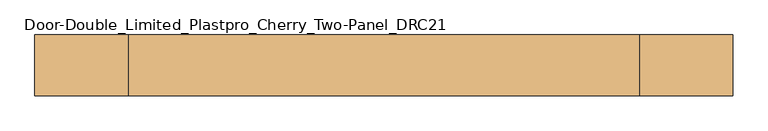
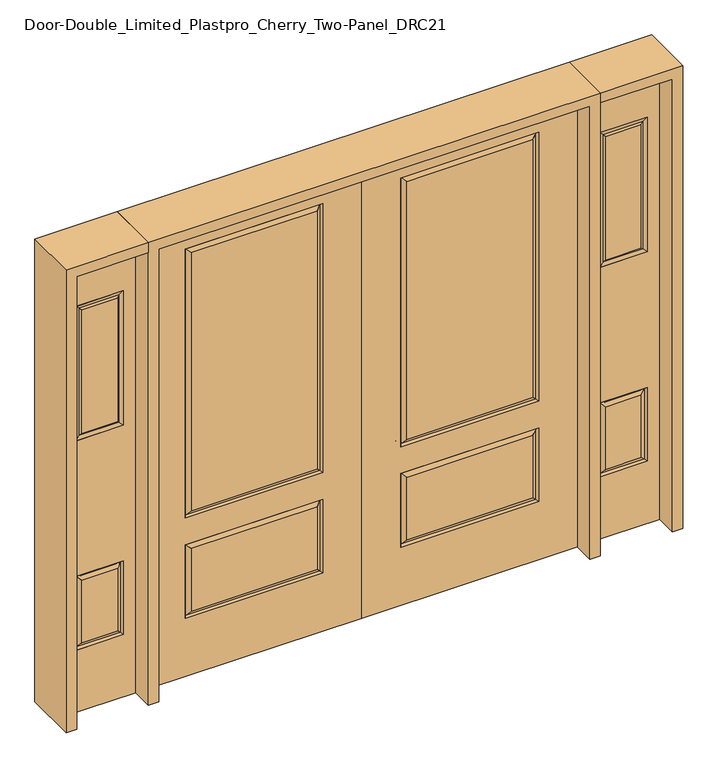
"""IFC4 building model written with IfcOpenShell, lengths in millimetres: door geometry, Door-Double_Limited_Plastpro_Cherry_Two-Panel_DRC21."""

from ifc_helpers import new_model, si_unit, frame, origin, place, context, project, spatial, polyline, outline, extrude, faceted_brep, source, transform, mapped, element, save


def door_double_limited_plastpro_cherry_two_panel_drc21_5cf84149(model_context):
    return source(origin(), model_context, "Body", "SolidModel", [
        faceted_brep([(0.0, 22.225, 0.0), (914.4, 22.225, 0.0), (914.4, -22.225, 0.0), (0.0, -22.225, 0.0), (0.0, 22.225, 2032.0), (0.0, -22.225, 2032.0), (914.4, -22.225, 2032.0), (165.1, -22.225, 711.2), (165.1, -22.225, 1917.7), (749.3, -22.225, 1917.7), (749.3, -22.225, 711.2), (165.1, -22.225, 260.35), (165.1, -22.225, 590.55), (749.3, -22.225, 590.55), (749.3, -22.225, 260.35), (724.69375, -22.225, 284.95625), (724.69375, -22.225, 565.94375), (189.70625, -22.225, 565.94375), (189.70625, -22.225, 284.95625), (724.69375, -22.225, 735.80625), (724.69375, -22.225, 1893.09375), (189.70625, -22.225, 1893.09375), (189.70625, -22.225, 735.80625), (914.4, 22.225, 2032.0), (749.3, 22.225, 711.2), (749.3, 22.225, 1917.7), (165.1, 22.225, 1917.7), (165.1, 22.225, 711.2), (749.3, 22.225, 260.35), (749.3, 22.225, 590.55), (165.1, 22.225, 590.55), (165.1, 22.225, 260.35), (189.70625, 22.225, 284.95625), (189.70625, 22.225, 565.94375), (724.69375, 22.225, 565.94375), (724.69375, 22.225, 284.95625), (189.70625, 22.225, 735.80625), (189.70625, 22.225, 1893.09375), (724.69375, 22.225, 1893.09375), (724.69375, 22.225, 735.80625), (172.2088501, 12.7912373, 267.4588501), (742.1911499, 12.7912373, 267.4588501), (172.2088501, 12.7912373, 583.4411499), (742.1911499, 12.7912373, 583.4411499), (172.2088501, 12.7912373, 718.3088501), (742.1911499, 12.7912373, 718.3088501), (172.2088501, 12.7912373, 1910.5911499), (742.1911499, 12.7912373, 1910.5911499), (172.2088501, -12.7912373, 267.4588501), (742.1911499, -12.7912373, 267.4588501), (742.1911499, -12.7912373, 583.4411499), (172.2088501, -12.7912373, 583.4411499), (172.2088501, -12.7912373, 718.3088501), (742.1911499, -12.7912373, 718.3088501), (742.1911499, -12.7912373, 1910.5911499), (172.2088501, -12.7912373, 1910.5911499)], [[[0, 1, 2, 3]], [[4, 0, 3, 5]], [[5, 3, 2, 6], [7, 8, 9, 10], [11, 12, 13, 14]], [[15, 16, 17, 18]], [[19, 20, 21, 22]], [[6, 2, 1, 23]], [[23, 1, 0, 4], [24, 25, 26, 27], [28, 29, 30, 31]], [[32, 33, 34, 35]], [[36, 37, 38, 39]], [[28, 31, 40, 41]], [[31, 30, 42, 40]], [[43, 42, 30, 29]], [[41, 43, 29, 28]], [[40, 32, 35, 41]], [[35, 34, 43, 41]], [[34, 33, 42, 43]], [[40, 42, 33, 32]], [[24, 27, 44, 45]], [[27, 26, 46, 44]], [[45, 47, 25, 24]], [[44, 36, 39, 45]], [[39, 38, 47, 45]], [[44, 46, 37, 36]], [[48, 11, 14, 49]], [[14, 13, 50, 49]], [[13, 12, 51, 50]], [[48, 51, 12, 11]], [[49, 15, 18, 48]], [[18, 17, 51, 48]], [[50, 51, 17, 16]], [[49, 50, 16, 15]], [[52, 7, 10, 53]], [[10, 9, 54, 53]], [[52, 55, 8, 7]], [[53, 19, 22, 52]], [[22, 21, 55, 52]], [[53, 54, 20, 19]], [[4, 5, 6, 23]], [[9, 8, 55, 54]], [[54, 55, 21, 20]], [[47, 46, 26, 25]], [[38, 37, 46, 47]]]),
        faceted_brep([(0.0, 22.225, 0.0), (0.0, -22.225, 0.0), (-914.4, -22.225, 0.0), (-914.4, 22.225, 0.0), (0.0, 22.225, 2032.0), (0.0, -22.225, 2032.0), (-724.69375, -22.225, 284.95625), (-189.70625, -22.225, 284.95625), (-189.70625, -22.225, 565.94375), (-724.69375, -22.225, 565.94375), (-724.69375, -22.225, 735.80625), (-189.70625, -22.225, 735.80625), (-189.70625, -22.225, 1893.09375), (-724.69375, -22.225, 1893.09375), (-914.4, -22.225, 2032.0), (-165.1, -22.225, 711.2), (-749.3, -22.225, 711.2), (-749.3, -22.225, 1917.7), (-165.1, -22.225, 1917.7), (-165.1, -22.225, 260.35), (-749.3, -22.225, 260.35), (-749.3, -22.225, 590.55), (-165.1, -22.225, 590.55), (-914.4, 22.225, 2032.0), (-189.70625, 22.225, 284.95625), (-724.69375, 22.225, 284.95625), (-724.69375, 22.225, 565.94375), (-189.70625, 22.225, 565.94375), (-189.70625, 22.225, 735.80625), (-724.69375, 22.225, 735.80625), (-724.69375, 22.225, 1893.09375), (-189.70625, 22.225, 1893.09375), (-749.3, 22.225, 711.2), (-165.1, 22.225, 711.2), (-165.1, 22.225, 1917.7), (-749.3, 22.225, 1917.7), (-749.3, 22.225, 260.35), (-165.1, 22.225, 260.35), (-165.1, 22.225, 590.55), (-749.3, 22.225, 590.55), (-742.1911499, 12.7912373, 267.4588501), (-172.2088501, 12.7912373, 267.4588501), (-172.2088501, 12.7912373, 583.4411499), (-742.1911499, 12.7912373, 583.4411499), (-742.1911499, 12.7912373, 718.3088501), (-172.2088501, 12.7912373, 718.3088501), (-172.2088501, 12.7912373, 1910.5911499), (-742.1911499, 12.7912373, 1910.5911499), (-172.2088501, -12.7912373, 267.4588501), (-742.1911499, -12.7912373, 267.4588501), (-742.1911499, -12.7912373, 583.4411499), (-172.2088501, -12.7912373, 583.4411499), (-172.2088501, -12.7912373, 718.3088501), (-742.1911499, -12.7912373, 718.3088501), (-742.1911499, -12.7912373, 1910.5911499), (-172.2088501, -12.7912373, 1910.5911499)], [[[0, 1, 2, 3]], [[4, 5, 1, 0]], [[6, 7, 8, 9]], [[10, 11, 12, 13]], [[5, 14, 2, 1], [15, 16, 17, 18], [19, 20, 21, 22]], [[14, 23, 3, 2]], [[24, 25, 26, 27]], [[28, 29, 30, 31]], [[23, 4, 0, 3], [32, 33, 34, 35], [36, 37, 38, 39]], [[36, 40, 41, 37]], [[37, 41, 42, 38]], [[43, 39, 38, 42]], [[40, 36, 39, 43]], [[41, 40, 25, 24]], [[25, 40, 43, 26]], [[26, 43, 42, 27]], [[41, 24, 27, 42]], [[32, 44, 45, 33]], [[33, 45, 46, 34]], [[44, 32, 35, 47]], [[45, 44, 29, 28]], [[29, 44, 47, 30]], [[45, 28, 31, 46]], [[48, 49, 20, 19]], [[20, 49, 50, 21]], [[21, 50, 51, 22]], [[48, 19, 22, 51]], [[49, 48, 7, 6]], [[7, 48, 51, 8]], [[50, 9, 8, 51]], [[49, 6, 9, 50]], [[52, 53, 16, 15]], [[16, 53, 54, 17]], [[52, 15, 18, 55]], [[53, 52, 11, 10]], [[11, 52, 55, 12]], [[53, 10, 13, 54]], [[4, 23, 14, 5]], [[17, 54, 55, 18]], [[54, 13, 12, 55]], [[47, 35, 34, 46]], [[30, 47, 46, 31]]]),
        faceted_brep([(1010.92, 20.6375, 1822.45), (1010.92, 20.6375, 1219.2), (1010.92, -20.6375, 1219.2), (1010.92, -20.6375, 1822.45), (1036.32, -12.7, 1244.6), (1036.32, -12.7, 1797.05), (1211.58, 20.6375, 1219.2), (1211.58, -20.6375, 1219.2), (1036.32, 12.7, 1797.05), (1036.32, 12.7, 1244.6), (1186.18, 12.7, 1244.6), (1186.18, -12.7, 1244.6), (1211.58, 20.6375, 1822.45), (1211.58, -20.6375, 1822.45), (1186.18, 12.7, 1797.05), (1186.18, -12.7, 1797.05)], [[[0, 1, 2, 3]], [[3, 2, 4, 5]], [[1, 6, 7, 2]], [[8, 9, 1, 0]], [[9, 10, 6, 1]], [[5, 4, 9, 8]], [[4, 11, 10, 9]], [[2, 7, 11, 4]], [[6, 12, 13, 7]], [[10, 14, 12, 6]], [[11, 15, 14, 10]], [[7, 13, 15, 11]], [[12, 0, 3, 13]], [[14, 8, 0, 12]], [[15, 5, 8, 14]], [[13, 3, 5, 15]]]),
        extrude(outline(polyline([(1036.32, -12.7), (1036.32, 12.7), (1186.18, 12.7), (1186.18, -12.7), (1036.32, -12.7)])), frame((0.0, 0.0, 1244.6), z_axis=(0.0, 0.0, 1.0), x_axis=(1.0, 0.0, 0.0)), (0.0, 0.0, 1.0), 552.45),
        faceted_brep([(1186.97375, -20.6375, 304.00625), (1186.97375, -20.6375, 584.99375), (1035.52625, -20.6375, 584.99375), (1035.52625, -20.6375, 304.00625), (1035.52625, 20.6375, 304.00625), (1035.52625, 20.6375, 584.99375), (1186.97375, 20.6375, 584.99375), (1186.97375, 20.6375, 304.00625), (1010.92, -20.6375, 279.4), (1010.92, -20.6375, 609.6), (1010.92, 20.6375, 609.6), (1010.92, 20.6375, 279.4), (1211.58, 20.6375, 279.4), (1211.58, -20.6375, 279.4), (1211.58, 20.6375, 609.6), (1211.58, -20.6375, 609.6), (1018.0288501, 11.2037373, 286.5088501), (1204.4711499, 11.2037373, 286.5088501), (1204.4711499, 11.2037373, 602.4911499), (1018.0288501, 11.2037373, 602.4911499), (1018.0288501, -11.2037373, 286.5088501), (1204.4711499, -11.2037373, 286.5088501), (1204.4711499, -11.2037373, 602.4911499), (1018.0288501, -11.2037373, 602.4911499)], [[[0, 1, 2, 3]], [[4, 5, 6, 7]], [[8, 9, 10, 11]], [[11, 12, 13, 8]], [[12, 14, 15, 13]], [[9, 15, 14, 10]], [[12, 11, 16, 17]], [[16, 4, 7, 17]], [[17, 18, 14, 12]], [[7, 6, 18, 17]], [[18, 19, 10, 14]], [[6, 5, 19, 18]], [[11, 10, 19, 16]], [[16, 19, 5, 4]], [[20, 8, 13, 21]], [[21, 0, 3, 20]], [[13, 15, 22, 21]], [[21, 22, 1, 0]], [[15, 9, 23, 22]], [[22, 23, 2, 1]], [[20, 23, 9, 8]], [[3, 2, 23, 20]]]),
        extrude(outline(polyline([(0.0, 1263.65), (2032.0, 1263.65), (2032.0, 958.85), (0.0, 958.85), (0.0, 1263.65)]), holes=[polyline([(279.4, 1010.92), (609.6, 1010.92), (609.6, 1211.58), (279.4, 1211.58), (279.4, 1010.92)]), polyline([(1822.45, 1010.92), (1822.45, 1211.58), (1219.2, 1211.58), (1219.2, 1010.92), (1822.45, 1010.92)])]), frame((0.0, -20.6375, 0.0), z_axis=(0.0, 1.0, 0.0), x_axis=(0.0, 0.0, 1.0)), (0.0, 0.0, 1.0), 41.275),
        faceted_brep([(1186.97375, -20.6375, 1243.80625), (1186.97375, -20.6375, 1797.84375), (1035.52625, -20.6375, 1797.84375), (1035.52625, -20.6375, 1243.80625), (1204.4711499, -11.2037373, 1226.3088501), (1018.0288501, -11.2037373, 1226.3088501), (1018.0288501, -11.2037373, 1815.3411499), (1204.4711499, -11.2037373, 1815.3411499), (1035.52625, 20.6375, 1243.80625), (1035.52625, 20.6375, 1797.84375), (1186.97375, 20.6375, 1797.84375), (1186.97375, 20.6375, 1243.80625), (1018.0288501, 11.2037373, 1226.3088501), (1204.4711499, 11.2037373, 1226.3088501), (1204.4711499, 11.2037373, 1815.3411499), (1018.0288501, 11.2037373, 1815.3411499), (1010.92, -20.6375, 1219.2), (1010.92, -20.6375, 1822.45), (1010.92, 20.6375, 1822.45), (1010.92, 20.6375, 1219.2), (1211.58, 20.6375, 1219.2), (1211.58, -20.6375, 1219.2), (1211.58, 20.6375, 1822.45), (1211.58, -20.6375, 1822.45)], [[[0, 1, 2, 3]], [[4, 0, 3, 5]], [[3, 2, 6, 5]], [[4, 7, 1, 0]], [[8, 9, 10, 11]], [[12, 8, 11, 13]], [[11, 10, 14, 13]], [[12, 15, 9, 8]], [[16, 17, 18, 19]], [[19, 20, 21, 16]], [[19, 18, 15, 12]], [[5, 6, 17, 16]], [[5, 16, 21, 4]], [[20, 22, 23, 21]], [[20, 19, 12, 13]], [[21, 23, 7, 4]], [[13, 14, 22, 20]], [[17, 23, 22, 18]], [[14, 15, 18, 22]], [[10, 9, 15, 14]], [[23, 17, 6, 7]], [[7, 6, 2, 1]]]),
        extrude(outline(polyline([(1035.05, -12.7), (1035.05, 12.7), (1187.45, 12.7), (1187.45, -12.7), (1035.05, -12.7)])), frame((0.0, 0.0, 292.1), z_axis=(0.0, 0.0, 1.0), x_axis=(1.0, 0.0, 0.0)), (0.0, 0.0, 1.0), 1600.2),
        faceted_brep([(-1010.92, 20.6375, 1822.45), (-1010.92, -20.6375, 1822.45), (-1010.92, -20.6375, 1219.2), (-1010.92, 20.6375, 1219.2), (-1036.32, -12.7, 1797.05), (-1036.32, -12.7, 1244.6), (-1211.58, -20.6375, 1219.2), (-1211.58, 20.6375, 1219.2), (-1036.32, 12.7, 1797.05), (-1036.32, 12.7, 1244.6), (-1186.18, 12.7, 1244.6), (-1186.18, -12.7, 1244.6), (-1211.58, -20.6375, 1822.45), (-1211.58, 20.6375, 1822.45), (-1186.18, 12.7, 1797.05), (-1186.18, -12.7, 1797.05)], [[[0, 1, 2, 3]], [[1, 4, 5, 2]], [[3, 2, 6, 7]], [[8, 0, 3, 9]], [[9, 3, 7, 10]], [[4, 8, 9, 5]], [[5, 9, 10, 11]], [[2, 5, 11, 6]], [[7, 6, 12, 13]], [[10, 7, 13, 14]], [[11, 10, 14, 15]], [[6, 11, 15, 12]], [[13, 12, 1, 0]], [[14, 13, 0, 8]], [[15, 14, 8, 4]], [[12, 15, 4, 1]]]),
        extrude(outline(polyline([(-1036.32, -12.7), (-1186.18, -12.7), (-1186.18, 12.7), (-1036.32, 12.7), (-1036.32, -12.7)])), frame((0.0, 0.0, 1244.6), z_axis=(0.0, 0.0, 1.0), x_axis=(1.0, 0.0, 0.0)), (0.0, 0.0, 1.0), 552.45),
        faceted_brep([(-1186.97375, -20.6375, 304.00625), (-1035.52625, -20.6375, 304.00625), (-1035.52625, -20.6375, 584.99375), (-1186.97375, -20.6375, 584.99375), (-1035.52625, 20.6375, 304.00625), (-1186.97375, 20.6375, 304.00625), (-1186.97375, 20.6375, 584.99375), (-1035.52625, 20.6375, 584.99375), (-1010.92, -20.6375, 279.4), (-1010.92, 20.6375, 279.4), (-1010.92, 20.6375, 609.6), (-1010.92, -20.6375, 609.6), (-1211.58, -20.6375, 279.4), (-1211.58, 20.6375, 279.4), (-1211.58, -20.6375, 609.6), (-1211.58, 20.6375, 609.6), (-1204.4711499, 11.2037373, 286.5088501), (-1018.0288501, 11.2037373, 286.5088501), (-1204.4711499, 11.2037373, 602.4911499), (-1018.0288501, 11.2037373, 602.4911499), (-1018.0288501, -11.2037373, 286.5088501), (-1204.4711499, -11.2037373, 286.5088501), (-1204.4711499, -11.2037373, 602.4911499), (-1018.0288501, -11.2037373, 602.4911499)], [[[0, 1, 2, 3]], [[4, 5, 6, 7]], [[8, 9, 10, 11]], [[9, 8, 12, 13]], [[13, 12, 14, 15]], [[11, 10, 15, 14]], [[13, 16, 17, 9]], [[17, 16, 5, 4]], [[16, 13, 15, 18]], [[5, 16, 18, 6]], [[18, 15, 10, 19]], [[6, 18, 19, 7]], [[9, 17, 19, 10]], [[17, 4, 7, 19]], [[20, 21, 12, 8]], [[21, 20, 1, 0]], [[12, 21, 22, 14]], [[21, 0, 3, 22]], [[14, 22, 23, 11]], [[22, 3, 2, 23]], [[20, 8, 11, 23]], [[1, 20, 23, 2]]]),
        extrude(outline(polyline([(0.0, -1263.65), (0.0, -958.85), (2032.0, -958.85), (2032.0, -1263.65), (0.0, -1263.65)]), holes=[polyline([(1822.45, -1010.92), (1219.2, -1010.92), (1219.2, -1211.58), (1822.45, -1211.58), (1822.45, -1010.92)]), polyline([(279.4, -1010.92), (279.4, -1211.58), (609.6, -1211.58), (609.6, -1010.92), (279.4, -1010.92)])]), frame((0.0, -20.6375, 0.0), z_axis=(0.0, 1.0, 0.0), x_axis=(0.0, 0.0, 1.0)), (0.0, 0.0, 1.0), 41.275),
        faceted_brep([(-1186.97375, -20.6375, 1243.80625), (-1035.52625, -20.6375, 1243.80625), (-1035.52625, -20.6375, 1797.84375), (-1186.97375, -20.6375, 1797.84375), (-1204.4711499, -11.2037373, 1226.3088501), (-1018.0288501, -11.2037373, 1226.3088501), (-1018.0288501, -11.2037373, 1815.3411499), (-1204.4711499, -11.2037373, 1815.3411499), (-1035.52625, 20.6375, 1243.80625), (-1186.97375, 20.6375, 1243.80625), (-1186.97375, 20.6375, 1797.84375), (-1035.52625, 20.6375, 1797.84375), (-1018.0288501, 11.2037373, 1226.3088501), (-1204.4711499, 11.2037373, 1226.3088501), (-1204.4711499, 11.2037373, 1815.3411499), (-1018.0288501, 11.2037373, 1815.3411499), (-1010.92, -20.6375, 1219.2), (-1010.92, 20.6375, 1219.2), (-1010.92, 20.6375, 1822.45), (-1010.92, -20.6375, 1822.45), (-1211.58, -20.6375, 1219.2), (-1211.58, 20.6375, 1219.2), (-1211.58, -20.6375, 1822.45), (-1211.58, 20.6375, 1822.45)], [[[0, 1, 2, 3]], [[4, 5, 1, 0]], [[1, 5, 6, 2]], [[4, 0, 3, 7]], [[8, 9, 10, 11]], [[12, 13, 9, 8]], [[9, 13, 14, 10]], [[12, 8, 11, 15]], [[16, 17, 18, 19]], [[17, 16, 20, 21]], [[17, 12, 15, 18]], [[5, 16, 19, 6]], [[5, 4, 20, 16]], [[21, 20, 22, 23]], [[21, 13, 12, 17]], [[20, 4, 7, 22]], [[13, 21, 23, 14]], [[19, 18, 23, 22]], [[14, 23, 18, 15]], [[10, 14, 15, 11]], [[22, 7, 6, 19]], [[7, 3, 2, 6]]]),
        extrude(outline(polyline([(-1035.05, -12.7), (-1187.45, -12.7), (-1187.45, 12.7), (-1035.05, 12.7), (-1035.05, -12.7)])), frame((0.0, 0.0, 292.1), z_axis=(0.0, 0.0, 1.0), x_axis=(1.0, 0.0, 0.0)), (0.0, 0.0, 1.0), 1600.2),
        extrude(outline(polyline([(2032.0, -958.85), (2076.45, -958.85), (2076.45, -1308.1), (0.0, -1308.1), (0.0, -1263.65), (2032.0, -1263.65), (2032.0, -958.85)])), frame((0.0, -114.3, 0.0), z_axis=(0.0, 1.0, 0.0), x_axis=(0.0, 0.0, 1.0)), (0.0, 0.0, 1.0), 228.6),
        extrude(outline(polyline([(2076.45, -958.85), (0.0, -958.85), (0.0, -914.4), (2032.0, -914.4), (2032.0, 914.4), (0.0, 914.4), (0.0, 958.85), (2076.45, 958.85), (2076.45, -958.85)])), frame((0.0, -114.3, 0.0), z_axis=(0.0, 1.0, 0.0), x_axis=(0.0, 0.0, 1.0)), (0.0, 0.0, 1.0), 228.6),
        extrude(outline(polyline([(0.0, 1263.65), (0.0, 1308.1), (2076.45, 1308.1), (2076.45, 958.85), (2032.0, 958.85), (2032.0, 1263.65), (0.0, 1263.65)])), frame((0.0, -114.3, 0.0), z_axis=(0.0, 1.0, 0.0), x_axis=(0.0, 0.0, 1.0)), (0.0, 0.0, 1.0), 228.6),
    ])


if __name__ == "__main__":
    model = new_model("IFC4")
    model_context = context("Model", 3, world=origin())
    ifc_project = project(units=[si_unit("LENGTHUNIT", "METRE", prefix="MILLI")], contexts=[model_context])
    site = spatial("IfcSite", under=ifc_project)
    building = spatial("IfcBuilding", under=site)
    placement = place(None, origin())
    door_double_limited_plastpro_cherry_two_panel_drc21_shape = door_double_limited_plastpro_cherry_two_panel_drc21_5cf84149(model_context)
    element("IfcDoor", 1, ObjectType="Door-Double_Limited_Plastpro_Cherry_Two-Panel_DRC21", at=placement, inside=building, context=model_context, shape_type="MappedRepresentation", body=[
        mapped(door_double_limited_plastpro_cherry_two_panel_drc21_shape, transform((0.0, 0.0, 0.0), x_axis=(1.0, 0.0, 0.0), y_axis=(0.0, 1.0, 0.0), z_axis=(0.0, 0.0, 1.0))),
    ])
    save(model, "model.ifc")
